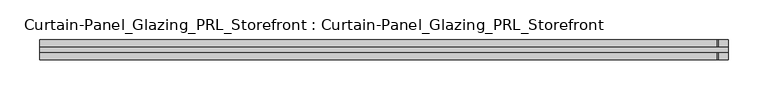
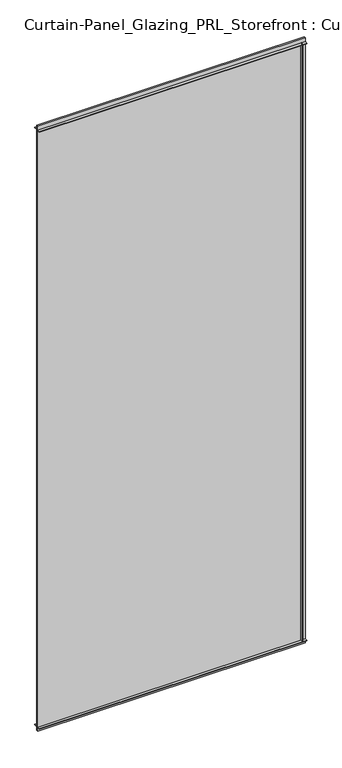
"""IFC4 building model written with IfcOpenShell, lengths in millimetres: plate geometry, Curtain-Panel_Glazing_PRL_Storefront : Curtain-Panel_Glazing_PRL_Storefront."""

from ifc_helpers import new_model, si_unit, frame, origin, origin_with_axes, place, context, project, spatial, polyline, outline, extrude, source, transform, mapped, element, save


def curtain_panel_glazing_prl_storefront_curtain_panel_glazing_45d99a7e(model_context):
    return source(origin(), model_context, "Body", "SweptSolid", [
        extrude(outline(polyline([(422.275, -12.7), (420.6875, -12.7), (420.6875, -3.175), (422.275, -3.175), (422.275, -12.7)])), frame((0.0, 0.0, 12.7), z_axis=(0.0, 0.0, 1.0), x_axis=(1.0, 0.0, 0.0)), (0.0, 0.0, 1.0), 2051.05),
        extrude(outline(polyline([(422.275, 12.7), (422.275, 3.175), (420.6875, 3.175), (420.6875, 12.7), (422.275, 12.7)])), frame((0.0, 0.0, 12.7), z_axis=(0.0, 0.0, 1.0), x_axis=(1.0, 0.0, 0.0)), (0.0, 0.0, 1.0), 2051.05),
        extrude(outline(polyline([(434.975, 3.175), (434.975, -3.175), (-434.975, -3.175), (-434.975, 3.175), (434.975, 3.175)])), origin_with_axes(), (0.0, 0.0, 1.0), 2076.45),
        extrude(outline(polyline([(-434.975, -12.7), (-434.975, -3.175), (434.975, -3.175), (434.975, -12.7), (-434.975, -12.7)])), frame((0.0, 0.0, 2062.1625), z_axis=(0.0, 0.0, 1.0), x_axis=(1.0, 0.0, 0.0)), (0.0, 0.0, 1.0), 1.5875),
        extrude(outline(polyline([(-434.975, 12.7), (434.975, 12.7), (434.975, 3.175), (-434.975, 3.175), (-434.975, 12.7)])), frame((0.0, 0.0, 2062.1625), z_axis=(0.0, 0.0, 1.0), x_axis=(1.0, 0.0, 0.0)), (0.0, 0.0, 1.0), 1.5875),
        extrude(outline(polyline([(-434.975, -12.7), (-434.975, -3.175), (434.975, -3.175), (434.975, -12.7), (-434.975, -12.7)])), frame((0.0, 0.0, 12.7), z_axis=(0.0, 0.0, 1.0), x_axis=(1.0, 0.0, 0.0)), (0.0, 0.0, 1.0), 1.5875),
        extrude(outline(polyline([(-434.975, 12.7), (434.975, 12.7), (434.975, 3.175), (-434.975, 3.175), (-434.975, 12.7)])), frame((0.0, 0.0, 12.7), z_axis=(0.0, 0.0, 1.0), x_axis=(1.0, 0.0, 0.0)), (0.0, 0.0, 1.0), 1.5875),
    ])


if __name__ == "__main__":
    model = new_model("IFC4")
    model_context = context("Model", 3, world=origin())
    ifc_project = project(units=[si_unit("LENGTHUNIT", "METRE", prefix="MILLI")], contexts=[model_context])
    site = spatial("IfcSite", under=ifc_project)
    building = spatial("IfcBuilding", under=site)
    placement = place(None, origin())
    curtain_panel_glazing_prl_storefront_curtain_panel_glazing_shape = curtain_panel_glazing_prl_storefront_curtain_panel_glazing_45d99a7e(model_context)
    element("IfcPlate", 1, ObjectType="Curtain-Panel_Glazing_PRL_Storefront : Curtain-Panel_Glazing_PRL_Storefront", at=placement, inside=building, context=model_context, shape_type="MappedRepresentation", body=[
        mapped(curtain_panel_glazing_prl_storefront_curtain_panel_glazing_shape, transform((0.0, 0.0, 0.0), x_axis=(1.0, 0.0, 0.0), y_axis=(0.0, 1.0, 0.0), z_axis=(0.0, 0.0, 1.0))),
    ])
    save(model, "model.ifc")
